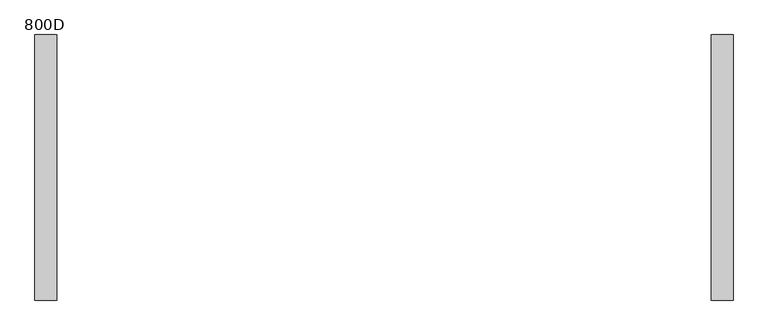
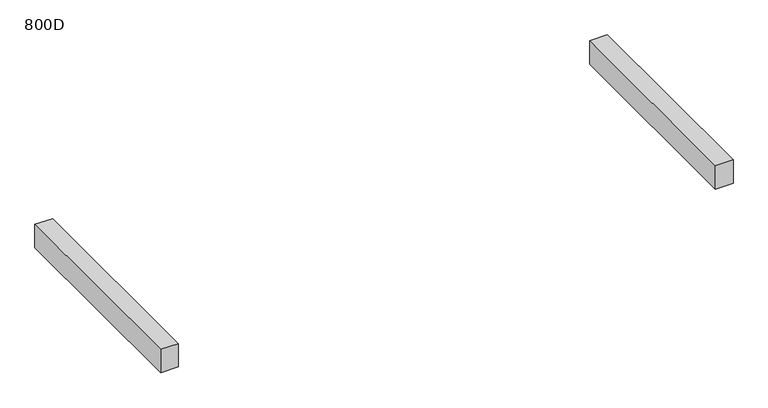
"""IFC4 building model written with IfcOpenShell, lengths in millimetres: furniture geometry, 800D."""

from ifc_helpers import new_model, si_unit, frame, origin, place, context, project, spatial, polyline, outline, extrude, source, transform, mapped, element, save


def furniture_800d_cd37141b(model_context):
    return source(origin(), model_context, "Body", "SweptSolid", [
        extrude(outline(polyline([(-909.9999968, -369.0), (-970.0, -369.0), (-970.0, 369.0), (-909.9999968, 369.0), (-909.9999968, -369.0)])), frame((0.0, 0.0, 435.0), z_axis=(0.0, 0.0, 1.0), x_axis=(1.0, 0.0, 0.0)), (0.0, 0.0, 1.0), 84.0),
        extrude(outline(polyline([(970.0, -369.0), (909.9999968, -369.0), (909.9999968, 369.0), (970.0, 369.0), (970.0, -369.0)])), frame((0.0, 0.0, 435.0), z_axis=(0.0, 0.0, 1.0), x_axis=(1.0, 0.0, 0.0)), (0.0, 0.0, 1.0), 84.0),
    ])


if __name__ == "__main__":
    model = new_model("IFC4")
    model_context = context("Model", 3, world=origin())
    ifc_project = project(units=[si_unit("LENGTHUNIT", "METRE", prefix="MILLI")], contexts=[model_context])
    site = spatial("IfcSite", under=ifc_project)
    building = spatial("IfcBuilding", under=site)
    placement = place(None, origin())
    furniture_800d_shape = furniture_800d_cd37141b(model_context)
    element("IfcFurniture", 1, ObjectType="800D", at=placement, inside=building, context=model_context, shape_type="MappedRepresentation", body=[
        mapped(furniture_800d_shape, transform((0.0, 0.0, 0.0), x_axis=(1.0, 0.0, 0.0), y_axis=(0.0, 1.0, 0.0), z_axis=(0.0, 0.0, 1.0))),
    ])
    save(model, "model.ifc")
